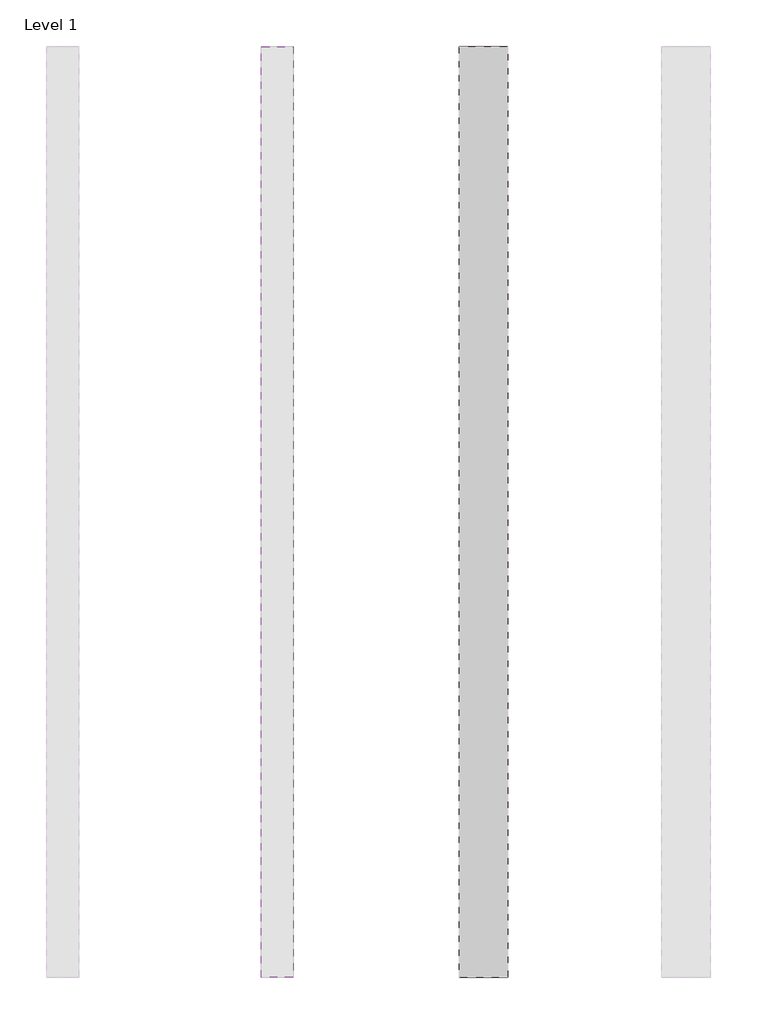
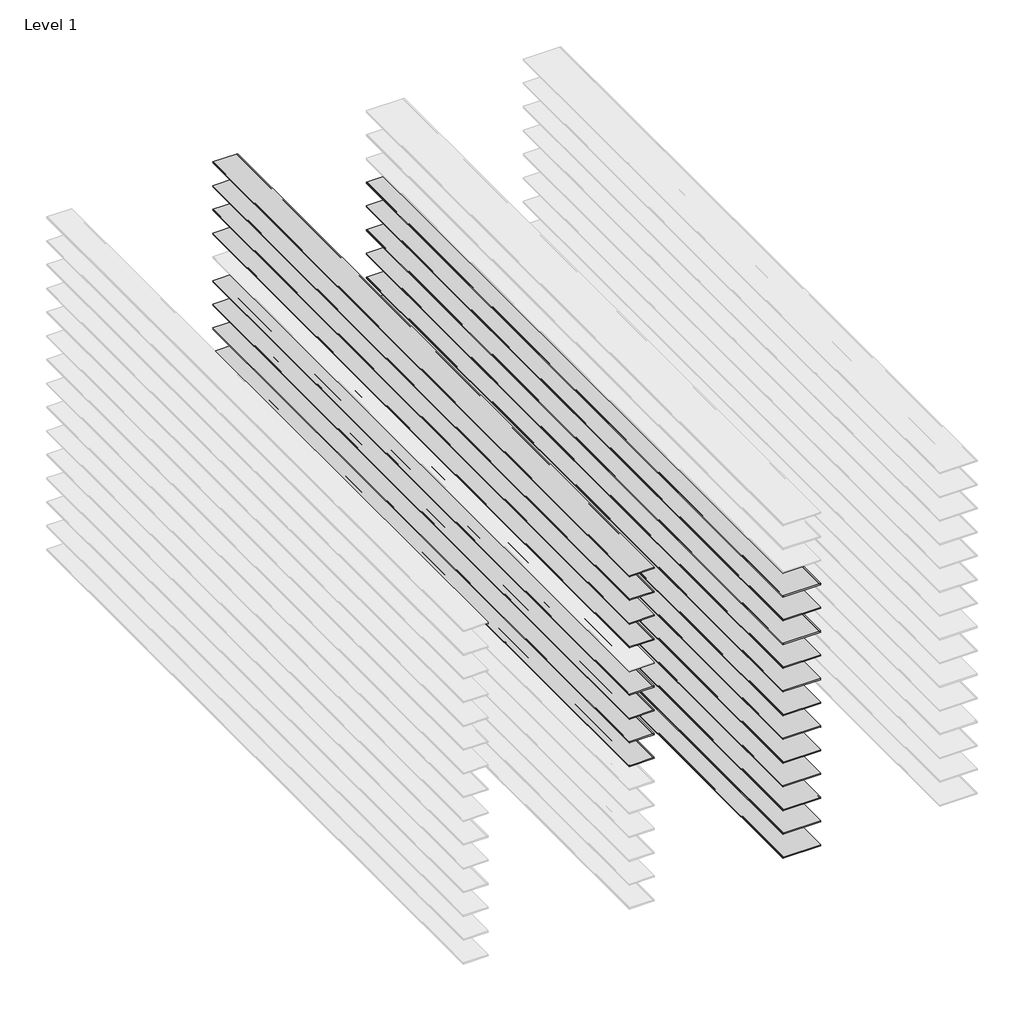
# One storey, part 2 of 3: 20 proxies.
"""IFC4 building model written with IfcOpenShell, lengths in millimetres."""

from ifc_helpers import new_model, si_unit, point, frame, frame_2d, origin, place, context, project, spatial, polyline, circle_curve, trimmed, segment, composite_curve, outline, extrude, element, save
from ifc_brep_helpers import plane_surface, revolved_surface, advanced_brep

model = new_model("IFC4")

# Units and contexts
model_context = context("Model", 3, world=origin())
ifc_project = project(units=[si_unit("LENGTHUNIT", "METRE", prefix="MILLI")], contexts=[model_context])

# Site, building, storey
site = spatial("IfcSite", under=ifc_project)
building = spatial("IfcBuilding", under=site)
storey = spatial("IfcBuildingStorey", under=building, Name="Level 1", Elevation=0.0)

# Proxies
placement = place(None, origin())
element("IfcBuildingElementProxy", 1, Name="Reveals", at=placement, inside=storey, context=model_context, shape_type="AdvancedBrep", body=[
    advanced_brep(
    [(-16224.8026773, 3227.6377356, 1209.675), (-16224.8026773, 3227.6377356, 1219.2), (-16529.6026773, 3227.6377356, 1219.2), (-16529.6026773, 3227.6377356, 1209.675), (-16224.8026773, 9069.6377356, 1209.675), (-16529.6026773, 9069.6377356, 1209.675), (-16529.6026773, 9069.6377356, 1219.2), (-16224.8026773, 9069.6377356, 1219.2)],
    [
        (0, 1, circle_curve(frame((-16224.8026773, 3227.6377356, 1214.4375), z_axis=(0.0, 1.0, 0.0), x_axis=(1.0, 0.0, 0.0)), 4.7625)),
        (1, 2),
        (2, 3, circle_curve(frame((-16529.6026773, 3227.6377356, 1214.4375), z_axis=(0.0, 1.0, 0.0), x_axis=(1.0, 0.0, 0.0)), 4.7625)),
        (3, 0),
        (4, 5),
        (5, 6, circle_curve(frame((-16529.6026773, 9069.6377356, 1214.4375), z_axis=(0.0, -1.0, 0.0), x_axis=(1.0, 0.0, 0.0)), 4.7625)),
        (6, 7),
        (7, 4, circle_curve(frame((-16224.8026773, 9069.6377356, 1214.4375), z_axis=(0.0, -1.0, 0.0), x_axis=(1.0, 0.0, 0.0)), 4.7625)),
        (0, 4),
        (7, 1),
        (6, 2),
        (5, 3),
    ],
    [
        plane_surface(frame((-16834.5514691, 3227.6377356, 1219.2), z_axis=(0.0, -1.0, 0.0), x_axis=(0.0, 0.0, 1.0))),
        plane_surface(frame((-16834.5514691, 9069.6377356, 1219.2), z_axis=(0.0, 1.0, 0.0), x_axis=(0.0, 0.0, 1.0))),
        revolved_surface(polyline([(-16220.0401773, 9069.6377356, 1214.4375), (-16220.0401773, 3227.6377356, 1214.4375)]), (-16224.8026773, 3227.6377356, 1214.4375), (0.0, 1.0, 0.0)),
        plane_surface(frame((-16224.8026773, 3227.6377356, 1219.2), z_axis=(0.0, 0.0, 1.0), x_axis=(0.0, 1.0, 0.0))),
        revolved_surface(polyline([(-16524.8401773, 9069.6377356, 1214.4375), (-16524.8401773, 3227.6377356, 1214.4375)]), (-16529.6026773, 3227.6377356, 1214.4375), (0.0, 1.0, 0.0)),
        plane_surface(frame((-16529.6026773, 3227.6377356, 1209.675), z_axis=(0.0, 0.0, -1.0), x_axis=(0.0, 1.0, 0.0))),
    ],
    [
        (0, [[1, 2, 3, 4]]),
        (1, [[5, 6, 7, 8]]),
        (2, [[-1, 9, -8, 10]]),
        (3, [[-2, -10, -7, 11]]),
        (4, [[-3, -11, -6, 12]]),
        (5, [[-4, -12, -5, -9]]),
    ],
),
])
element("IfcBuildingElementProxy", 2, Name="Reveals", at=placement, inside=storey, context=model_context, shape_type="AdvancedBrep", body=[
    advanced_brep(
    [(-16224.8026773, 3227.6377356, 1006.475), (-16224.8026773, 3227.6377356, 1016.0), (-16529.6026773, 3227.6377356, 1016.0), (-16529.6026773, 3227.6377356, 1006.475), (-16224.8026773, 9069.6377356, 1006.475), (-16529.6026773, 9069.6377356, 1006.475), (-16529.6026773, 9069.6377356, 1016.0), (-16224.8026773, 9069.6377356, 1016.0)],
    [
        (0, 1, circle_curve(frame((-16224.8026773, 3227.6377356, 1011.2375), z_axis=(0.0, 1.0, 0.0), x_axis=(1.0, 0.0, 0.0)), 4.7625)),
        (1, 2),
        (2, 3, circle_curve(frame((-16529.6026773, 3227.6377356, 1011.2375), z_axis=(0.0, 1.0, 0.0), x_axis=(1.0, 0.0, 0.0)), 4.7625)),
        (3, 0),
        (4, 5),
        (5, 6, circle_curve(frame((-16529.6026773, 9069.6377356, 1011.2375), z_axis=(0.0, -1.0, 0.0), x_axis=(1.0, 0.0, 0.0)), 4.7625)),
        (6, 7),
        (7, 4, circle_curve(frame((-16224.8026773, 9069.6377356, 1011.2375), z_axis=(0.0, -1.0, 0.0), x_axis=(1.0, 0.0, 0.0)), 4.7625)),
        (0, 4),
        (7, 1),
        (6, 2),
        (5, 3),
    ],
    [
        plane_surface(frame((-16834.5514691, 3227.6377356, 1016.0), z_axis=(0.0, -1.0, 0.0), x_axis=(0.0, 0.0, 1.0))),
        plane_surface(frame((-16834.5514691, 9069.6377356, 1016.0), z_axis=(0.0, 1.0, 0.0), x_axis=(0.0, 0.0, 1.0))),
        revolved_surface(polyline([(-16220.0401773, 9069.6377356, 1011.2375), (-16220.0401773, 3227.6377356, 1011.2375)]), (-16224.8026773, 3227.6377356, 1011.2375), (0.0, 1.0, 0.0)),
        plane_surface(frame((-16224.8026773, 3227.6377356, 1016.0), z_axis=(0.0, 0.0, 1.0), x_axis=(0.0, 1.0, 0.0))),
        revolved_surface(polyline([(-16524.8401773, 9069.6377356, 1011.2375), (-16524.8401773, 3227.6377356, 1011.2375)]), (-16529.6026773, 3227.6377356, 1011.2375), (0.0, 1.0, 0.0)),
        plane_surface(frame((-16529.6026773, 3227.6377356, 1006.475), z_axis=(0.0, 0.0, -1.0), x_axis=(0.0, 1.0, 0.0))),
    ],
    [
        (0, [[1, 2, 3, 4]]),
        (1, [[5, 6, 7, 8]]),
        (2, [[-1, 9, -8, 10]]),
        (3, [[-2, -10, -7, 11]]),
        (4, [[-3, -11, -6, 12]]),
        (5, [[-4, -12, -5, -9]]),
    ],
),
])
element("IfcBuildingElementProxy", 3, Name="Reveals", at=placement, inside=storey, context=model_context, shape_type="AdvancedBrep", body=[
    advanced_brep(
    [(-16224.8026773, 3227.6377356, 803.275), (-16224.8026773, 3227.6377356, 812.8), (-16529.6026773, 3227.6377356, 812.8), (-16529.6026773, 3227.6377356, 803.275), (-16224.8026773, 9069.6377356, 803.275), (-16529.6026773, 9069.6377356, 803.275), (-16529.6026773, 9069.6377356, 812.8), (-16224.8026773, 9069.6377356, 812.8)],
    [
        (0, 1, circle_curve(frame((-16224.8026773, 3227.6377356, 808.0375), z_axis=(0.0, 1.0, 0.0), x_axis=(1.0, 0.0, 0.0)), 4.7625)),
        (1, 2),
        (2, 3, circle_curve(frame((-16529.6026773, 3227.6377356, 808.0375), z_axis=(0.0, 1.0, 0.0), x_axis=(1.0, 0.0, 0.0)), 4.7625)),
        (3, 0),
        (4, 5),
        (5, 6, circle_curve(frame((-16529.6026773, 9069.6377356, 808.0375), z_axis=(0.0, -1.0, 0.0), x_axis=(1.0, 0.0, 0.0)), 4.7625)),
        (6, 7),
        (7, 4, circle_curve(frame((-16224.8026773, 9069.6377356, 808.0375), z_axis=(0.0, -1.0, 0.0), x_axis=(1.0, 0.0, 0.0)), 4.7625)),
        (0, 4),
        (7, 1),
        (6, 2),
        (5, 3),
    ],
    [
        plane_surface(frame((-16834.5514691, 3227.6377356, 812.8), z_axis=(0.0, -1.0, 0.0), x_axis=(0.0, 0.0, 1.0))),
        plane_surface(frame((-16834.5514691, 9069.6377356, 812.8), z_axis=(0.0, 1.0, 0.0), x_axis=(0.0, 0.0, 1.0))),
        revolved_surface(polyline([(-16220.0401773, 9069.6377356, 808.0375), (-16220.0401773, 3227.6377356, 808.0375)]), (-16224.8026773, 3227.6377356, 808.0375), (0.0, 1.0, 0.0)),
        plane_surface(frame((-16224.8026773, 3227.6377356, 812.8), z_axis=(0.0, 0.0, 1.0), x_axis=(0.0, 1.0, 0.0))),
        revolved_surface(polyline([(-16524.8401773, 9069.6377356, 808.0375), (-16524.8401773, 3227.6377356, 808.0375)]), (-16529.6026773, 3227.6377356, 808.0375), (0.0, 1.0, 0.0)),
        plane_surface(frame((-16529.6026773, 3227.6377356, 803.275), z_axis=(0.0, 0.0, -1.0), x_axis=(0.0, 1.0, 0.0))),
    ],
    [
        (0, [[1, 2, 3, 4]]),
        (1, [[5, 6, 7, 8]]),
        (2, [[-1, 9, -8, 10]]),
        (3, [[-2, -10, -7, 11]]),
        (4, [[-3, -11, -6, 12]]),
        (5, [[-4, -12, -5, -9]]),
    ],
),
])
element("IfcBuildingElementProxy", 4, Name="Reveals", at=placement, inside=storey, context=model_context, shape_type="AdvancedBrep", body=[
    advanced_brep(
    [(-16224.8026773, 3227.6377356, 600.075), (-16224.8026773, 3227.6377356, 609.6), (-16529.6026773, 3227.6377356, 609.6), (-16529.6026773, 3227.6377356, 600.075), (-16224.8026773, 9069.6377356, 600.075), (-16529.6026773, 9069.6377356, 600.075), (-16529.6026773, 9069.6377356, 609.6), (-16224.8026773, 9069.6377356, 609.6)],
    [
        (0, 1, circle_curve(frame((-16224.8026773, 3227.6377356, 604.8375), z_axis=(0.0, 1.0, 0.0), x_axis=(1.0, 0.0, 0.0)), 4.7625)),
        (1, 2),
        (2, 3, circle_curve(frame((-16529.6026773, 3227.6377356, 604.8375), z_axis=(0.0, 1.0, 0.0), x_axis=(1.0, 0.0, 0.0)), 4.7625)),
        (3, 0),
        (4, 5),
        (5, 6, circle_curve(frame((-16529.6026773, 9069.6377356, 604.8375), z_axis=(0.0, -1.0, 0.0), x_axis=(1.0, 0.0, 0.0)), 4.7625)),
        (6, 7),
        (7, 4, circle_curve(frame((-16224.8026773, 9069.6377356, 604.8375), z_axis=(0.0, -1.0, 0.0), x_axis=(1.0, 0.0, 0.0)), 4.7625)),
        (0, 4),
        (7, 1),
        (6, 2),
        (5, 3),
    ],
    [
        plane_surface(frame((-16834.5514691, 3227.6377356, 609.6), z_axis=(0.0, -1.0, 0.0), x_axis=(0.0, 0.0, 1.0))),
        plane_surface(frame((-16834.5514691, 9069.6377356, 609.6), z_axis=(0.0, 1.0, 0.0), x_axis=(0.0, 0.0, 1.0))),
        revolved_surface(polyline([(-16220.0401773, 9069.6377356, 604.8375), (-16220.0401773, 3227.6377356, 604.8375)]), (-16224.8026773, 3227.6377356, 604.8375), (0.0, 1.0, 0.0)),
        plane_surface(frame((-16224.8026773, 3227.6377356, 609.6), z_axis=(0.0, 0.0, 1.0), x_axis=(0.0, 1.0, 0.0))),
        revolved_surface(polyline([(-16524.8401773, 9069.6377356, 604.8375), (-16524.8401773, 3227.6377356, 604.8375)]), (-16529.6026773, 3227.6377356, 604.8375), (0.0, 1.0, 0.0)),
        plane_surface(frame((-16529.6026773, 3227.6377356, 600.075), z_axis=(0.0, 0.0, -1.0), x_axis=(0.0, 1.0, 0.0))),
    ],
    [
        (0, [[1, 2, 3, 4]]),
        (1, [[5, 6, 7, 8]]),
        (2, [[-1, 9, -8, 10]]),
        (3, [[-2, -10, -7, 11]]),
        (4, [[-3, -11, -6, 12]]),
        (5, [[-4, -12, -5, -9]]),
    ],
),
])
element("IfcBuildingElementProxy", 5, Name="Reveals", at=placement, inside=storey, context=model_context, shape_type="SweptSolid", body=[
    extrude(outline(composite_curve([segment(trimmed(circle_curve(frame_2d((401.6375, -16224.8026773)), 4.7625), [point((396.875, -16224.8026773))], [point((406.4, -16224.8026773))], True, "CARTESIAN"), True, "CONTINUOUS"), segment(polyline([(406.4, -16224.8026773), (406.4, -16529.6026773)]), True, "CONTINUOUS"), segment(trimmed(circle_curve(frame_2d((401.6375, -16529.6026773)), 4.7625), [point((406.4, -16529.6026773))], [point((396.875, -16529.6026773))], True, "CARTESIAN"), True, "CONTINUOUS"), segment(polyline([(396.875, -16529.6026773), (396.875, -16224.8026773)]), True, "CONTINUOUS")], self_intersect=False)), frame((0.0, 3227.6377356, 0.0), z_axis=(0.0, 1.0, 0.0), x_axis=(0.0, 0.0, 1.0)), (0.0, 0.0, 1.0), 5842.0),
])
element("IfcBuildingElementProxy", 6, Name="Reveals", at=placement, inside=storey, context=model_context, shape_type="SweptSolid", body=[
    extrude(outline(composite_curve([segment(trimmed(circle_curve(frame_2d((198.4375, -16224.8026773)), 4.7625), [point((193.675, -16224.8026773))], [point((203.2, -16224.8026773))], True, "CARTESIAN"), True, "CONTINUOUS"), segment(polyline([(203.2, -16224.8026773), (203.2, -16529.6026773)]), True, "CONTINUOUS"), segment(trimmed(circle_curve(frame_2d((198.4375, -16529.6026773)), 4.7625), [point((203.2, -16529.6026773))], [point((193.675, -16529.6026773))], True, "CARTESIAN"), True, "CONTINUOUS"), segment(polyline([(193.675, -16529.6026773), (193.675, -16224.8026773)]), True, "CONTINUOUS")], self_intersect=False)), frame((0.0, 3227.6377356, 0.0), z_axis=(0.0, 1.0, 0.0), x_axis=(0.0, 0.0, 1.0)), (0.0, 0.0, 1.0), 5842.0),
])
element("IfcBuildingElementProxy", 7, Name="Reveals", at=placement, inside=storey, context=model_context, shape_type="AdvancedBrep", body=[
    advanced_brep(
    [(-16224.8026773, 3227.6377356, 2225.675), (-16224.8026773, 3227.6377356, 2235.2), (-16529.6026773, 3227.6377356, 2235.2), (-16529.6026773, 3227.6377356, 2225.675), (-16224.8026773, 9069.6377356, 2225.675), (-16529.6026773, 9069.6377356, 2225.675), (-16529.6026773, 9069.6377356, 2235.2), (-16224.8026773, 9069.6377356, 2235.2)],
    [
        (0, 1, circle_curve(frame((-16224.8026773, 3227.6377356, 2230.4375), z_axis=(0.0, 1.0, 0.0), x_axis=(1.0, 0.0, 0.0)), 4.7625)),
        (1, 2),
        (2, 3, circle_curve(frame((-16529.6026773, 3227.6377356, 2230.4375), z_axis=(0.0, 1.0, 0.0), x_axis=(1.0, 0.0, 0.0)), 4.7625)),
        (3, 0),
        (4, 5),
        (5, 6, circle_curve(frame((-16529.6026773, 9069.6377356, 2230.4375), z_axis=(0.0, -1.0, 0.0), x_axis=(1.0, 0.0, 0.0)), 4.7625)),
        (6, 7),
        (7, 4, circle_curve(frame((-16224.8026773, 9069.6377356, 2230.4375), z_axis=(0.0, -1.0, 0.0), x_axis=(1.0, 0.0, 0.0)), 4.7625)),
        (0, 4),
        (7, 1),
        (6, 2),
        (5, 3),
    ],
    [
        plane_surface(frame((-16834.5514691, 3227.6377356, 2235.2), z_axis=(0.0, -1.0, 0.0), x_axis=(0.0, 0.0, 1.0))),
        plane_surface(frame((-16834.5514691, 9069.6377356, 2235.2), z_axis=(0.0, 1.0, 0.0), x_axis=(0.0, 0.0, 1.0))),
        revolved_surface(polyline([(-16220.0401773, 9069.6377356, 2230.4375), (-16220.0401773, 3227.6377356, 2230.4375)]), (-16224.8026773, 3227.6377356, 2230.4375), (0.0, 1.0, 0.0)),
        plane_surface(frame((-16224.8026773, 3227.6377356, 2235.2), z_axis=(0.0, 0.0, 1.0), x_axis=(0.0, 1.0, 0.0))),
        revolved_surface(polyline([(-16524.8401773, 9069.6377356, 2230.4375), (-16524.8401773, 3227.6377356, 2230.4375)]), (-16529.6026773, 3227.6377356, 2230.4375), (0.0, 1.0, 0.0)),
        plane_surface(frame((-16529.6026773, 3227.6377356, 2225.675), z_axis=(0.0, 0.0, -1.0), x_axis=(0.0, 1.0, 0.0))),
    ],
    [
        (0, [[1, 2, 3, 4]]),
        (1, [[5, 6, 7, 8]]),
        (2, [[-1, 9, -8, 10]]),
        (3, [[-2, -10, -7, 11]]),
        (4, [[-3, -11, -6, 12]]),
        (5, [[-4, -12, -5, -9]]),
    ],
),
])
element("IfcBuildingElementProxy", 8, Name="Reveals", at=placement, inside=storey, context=model_context, shape_type="AdvancedBrep", body=[
    advanced_brep(
    [(-16224.8026773, 3227.6377356, 2022.475), (-16224.8026773, 3227.6377356, 2032.0), (-16529.6026773, 3227.6377356, 2032.0), (-16529.6026773, 3227.6377356, 2022.475), (-16224.8026773, 9069.6377356, 2022.475), (-16529.6026773, 9069.6377356, 2022.475), (-16529.6026773, 9069.6377356, 2032.0), (-16224.8026773, 9069.6377356, 2032.0)],
    [
        (0, 1, circle_curve(frame((-16224.8026773, 3227.6377356, 2027.2375), z_axis=(0.0, 1.0, 0.0), x_axis=(1.0, 0.0, 0.0)), 4.7625)),
        (1, 2),
        (2, 3, circle_curve(frame((-16529.6026773, 3227.6377356, 2027.2375), z_axis=(0.0, 1.0, 0.0), x_axis=(1.0, 0.0, 0.0)), 4.7625)),
        (3, 0),
        (4, 5),
        (5, 6, circle_curve(frame((-16529.6026773, 9069.6377356, 2027.2375), z_axis=(0.0, -1.0, 0.0), x_axis=(1.0, 0.0, 0.0)), 4.7625)),
        (6, 7),
        (7, 4, circle_curve(frame((-16224.8026773, 9069.6377356, 2027.2375), z_axis=(0.0, -1.0, 0.0), x_axis=(1.0, 0.0, 0.0)), 4.7625)),
        (0, 4),
        (7, 1),
        (6, 2),
        (5, 3),
    ],
    [
        plane_surface(frame((-16834.5514691, 3227.6377356, 2032.0), z_axis=(0.0, -1.0, 0.0), x_axis=(0.0, 0.0, 1.0))),
        plane_surface(frame((-16834.5514691, 9069.6377356, 2032.0), z_axis=(0.0, 1.0, 0.0), x_axis=(0.0, 0.0, 1.0))),
        revolved_surface(polyline([(-16220.0401773, 9069.6377356, 2027.2375), (-16220.0401773, 3227.6377356, 2027.2375)]), (-16224.8026773, 3227.6377356, 2027.2375), (0.0, 1.0, 0.0)),
        plane_surface(frame((-16224.8026773, 3227.6377356, 2032.0), z_axis=(0.0, 0.0, 1.0), x_axis=(0.0, 1.0, 0.0))),
        revolved_surface(polyline([(-16524.8401773, 9069.6377356, 2027.2375), (-16524.8401773, 3227.6377356, 2027.2375)]), (-16529.6026773, 3227.6377356, 2027.2375), (0.0, 1.0, 0.0)),
        plane_surface(frame((-16529.6026773, 3227.6377356, 2022.475), z_axis=(0.0, 0.0, -1.0), x_axis=(0.0, 1.0, 0.0))),
    ],
    [
        (0, [[1, 2, 3, 4]]),
        (1, [[5, 6, 7, 8]]),
        (2, [[-1, 9, -8, 10]]),
        (3, [[-2, -10, -7, 11]]),
        (4, [[-3, -11, -6, 12]]),
        (5, [[-4, -12, -5, -9]]),
    ],
),
])
element("IfcBuildingElementProxy", 9, Name="Reveals", at=placement, inside=storey, context=model_context, shape_type="AdvancedBrep", body=[
    advanced_brep(
    [(-16224.8026773, 3227.6377356, 1819.275), (-16224.8026773, 3227.6377356, 1828.8), (-16529.6026773, 3227.6377356, 1828.8), (-16529.6026773, 3227.6377356, 1819.275), (-16224.8026773, 9069.6377356, 1819.275), (-16529.6026773, 9069.6377356, 1819.275), (-16529.6026773, 9069.6377356, 1828.8), (-16224.8026773, 9069.6377356, 1828.8)],
    [
        (0, 1, circle_curve(frame((-16224.8026773, 3227.6377356, 1824.0375), z_axis=(0.0, 1.0, 0.0), x_axis=(1.0, 0.0, 0.0)), 4.7625)),
        (1, 2),
        (2, 3, circle_curve(frame((-16529.6026773, 3227.6377356, 1824.0375), z_axis=(0.0, 1.0, 0.0), x_axis=(1.0, 0.0, 0.0)), 4.7625)),
        (3, 0),
        (4, 5),
        (5, 6, circle_curve(frame((-16529.6026773, 9069.6377356, 1824.0375), z_axis=(0.0, -1.0, 0.0), x_axis=(1.0, 0.0, 0.0)), 4.7625)),
        (6, 7),
        (7, 4, circle_curve(frame((-16224.8026773, 9069.6377356, 1824.0375), z_axis=(0.0, -1.0, 0.0), x_axis=(1.0, 0.0, 0.0)), 4.7625)),
        (0, 4),
        (7, 1),
        (6, 2),
        (5, 3),
    ],
    [
        plane_surface(frame((-16834.5514691, 3227.6377356, 1828.8), z_axis=(0.0, -1.0, 0.0), x_axis=(0.0, 0.0, 1.0))),
        plane_surface(frame((-16834.5514691, 9069.6377356, 1828.8), z_axis=(0.0, 1.0, 0.0), x_axis=(0.0, 0.0, 1.0))),
        revolved_surface(polyline([(-16220.0401773, 9069.6377356, 1824.0375), (-16220.0401773, 3227.6377356, 1824.0375)]), (-16224.8026773, 3227.6377356, 1824.0375), (0.0, 1.0, 0.0)),
        plane_surface(frame((-16224.8026773, 3227.6377356, 1828.8), z_axis=(0.0, 0.0, 1.0), x_axis=(0.0, 1.0, 0.0))),
        revolved_surface(polyline([(-16524.8401773, 9069.6377356, 1824.0375), (-16524.8401773, 3227.6377356, 1824.0375)]), (-16529.6026773, 3227.6377356, 1824.0375), (0.0, 1.0, 0.0)),
        plane_surface(frame((-16529.6026773, 3227.6377356, 1819.275), z_axis=(0.0, 0.0, -1.0), x_axis=(0.0, 1.0, 0.0))),
    ],
    [
        (0, [[1, 2, 3, 4]]),
        (1, [[5, 6, 7, 8]]),
        (2, [[-1, 9, -8, 10]]),
        (3, [[-2, -10, -7, 11]]),
        (4, [[-3, -11, -6, 12]]),
        (5, [[-4, -12, -5, -9]]),
    ],
),
])
element("IfcBuildingElementProxy", 10, Name="Reveals", at=placement, inside=storey, context=model_context, shape_type="AdvancedBrep", body=[
    advanced_brep(
    [(-16224.8026773, 3227.6377356, 1616.075), (-16224.8026773, 3227.6377356, 1625.6), (-16529.6026773, 3227.6377356, 1625.6), (-16529.6026773, 3227.6377356, 1616.075), (-16224.8026773, 9069.6377356, 1616.075), (-16529.6026773, 9069.6377356, 1616.075), (-16529.6026773, 9069.6377356, 1625.6), (-16224.8026773, 9069.6377356, 1625.6)],
    [
        (0, 1, circle_curve(frame((-16224.8026773, 3227.6377356, 1620.8375), z_axis=(0.0, 1.0, 0.0), x_axis=(1.0, 0.0, 0.0)), 4.7625)),
        (1, 2),
        (2, 3, circle_curve(frame((-16529.6026773, 3227.6377356, 1620.8375), z_axis=(0.0, 1.0, 0.0), x_axis=(1.0, 0.0, 0.0)), 4.7625)),
        (3, 0),
        (4, 5),
        (5, 6, circle_curve(frame((-16529.6026773, 9069.6377356, 1620.8375), z_axis=(0.0, -1.0, 0.0), x_axis=(1.0, 0.0, 0.0)), 4.7625)),
        (6, 7),
        (7, 4, circle_curve(frame((-16224.8026773, 9069.6377356, 1620.8375), z_axis=(0.0, -1.0, 0.0), x_axis=(1.0, 0.0, 0.0)), 4.7625)),
        (0, 4),
        (7, 1),
        (6, 2),
        (5, 3),
    ],
    [
        plane_surface(frame((-16834.5514691, 3227.6377356, 1625.6), z_axis=(0.0, -1.0, 0.0), x_axis=(0.0, 0.0, 1.0))),
        plane_surface(frame((-16834.5514691, 9069.6377356, 1625.6), z_axis=(0.0, 1.0, 0.0), x_axis=(0.0, 0.0, 1.0))),
        revolved_surface(polyline([(-16220.0401773, 9069.6377356, 1620.8375), (-16220.0401773, 3227.6377356, 1620.8375)]), (-16224.8026773, 3227.6377356, 1620.8375), (0.0, 1.0, 0.0)),
        plane_surface(frame((-16224.8026773, 3227.6377356, 1625.6), z_axis=(0.0, 0.0, 1.0), x_axis=(0.0, 1.0, 0.0))),
        revolved_surface(polyline([(-16524.8401773, 9069.6377356, 1620.8375), (-16524.8401773, 3227.6377356, 1620.8375)]), (-16529.6026773, 3227.6377356, 1620.8375), (0.0, 1.0, 0.0)),
        plane_surface(frame((-16529.6026773, 3227.6377356, 1616.075), z_axis=(0.0, 0.0, -1.0), x_axis=(0.0, 1.0, 0.0))),
    ],
    [
        (0, [[1, 2, 3, 4]]),
        (1, [[5, 6, 7, 8]]),
        (2, [[-1, 9, -8, 10]]),
        (3, [[-2, -10, -7, 11]]),
        (4, [[-3, -11, -6, 12]]),
        (5, [[-4, -12, -5, -9]]),
    ],
),
])
element("IfcBuildingElementProxy", 11, Name="Reveals", at=placement, inside=storey, context=model_context, shape_type="AdvancedBrep", body=[
    advanced_brep(
    [(-16224.8026773, 3227.6377356, 1412.875), (-16224.8026773, 3227.6377356, 1422.4), (-16529.6026773, 3227.6377356, 1422.4), (-16529.6026773, 3227.6377356, 1412.875), (-16224.8026773, 9069.6377356, 1412.875), (-16529.6026773, 9069.6377356, 1412.875), (-16529.6026773, 9069.6377356, 1422.4), (-16224.8026773, 9069.6377356, 1422.4)],
    [
        (0, 1, circle_curve(frame((-16224.8026773, 3227.6377356, 1417.6375), z_axis=(0.0, 1.0, 0.0), x_axis=(1.0, 0.0, 0.0)), 4.7625)),
        (1, 2),
        (2, 3, circle_curve(frame((-16529.6026773, 3227.6377356, 1417.6375), z_axis=(0.0, 1.0, 0.0), x_axis=(1.0, 0.0, 0.0)), 4.7625)),
        (3, 0),
        (4, 5),
        (5, 6, circle_curve(frame((-16529.6026773, 9069.6377356, 1417.6375), z_axis=(0.0, -1.0, 0.0), x_axis=(1.0, 0.0, 0.0)), 4.7625)),
        (6, 7),
        (7, 4, circle_curve(frame((-16224.8026773, 9069.6377356, 1417.6375), z_axis=(0.0, -1.0, 0.0), x_axis=(1.0, 0.0, 0.0)), 4.7625)),
        (0, 4),
        (7, 1),
        (6, 2),
        (5, 3),
    ],
    [
        plane_surface(frame((-16834.5514691, 3227.6377356, 1422.4), z_axis=(0.0, -1.0, 0.0), x_axis=(0.0, 0.0, 1.0))),
        plane_surface(frame((-16834.5514691, 9069.6377356, 1422.4), z_axis=(0.0, 1.0, 0.0), x_axis=(0.0, 0.0, 1.0))),
        revolved_surface(polyline([(-16220.0401773, 9069.6377356, 1417.6375), (-16220.0401773, 3227.6377356, 1417.6375)]), (-16224.8026773, 3227.6377356, 1417.6375), (0.0, 1.0, 0.0)),
        plane_surface(frame((-16224.8026773, 3227.6377356, 1422.4), z_axis=(0.0, 0.0, 1.0), x_axis=(0.0, 1.0, 0.0))),
        revolved_surface(polyline([(-16524.8401773, 9069.6377356, 1417.6375), (-16524.8401773, 3227.6377356, 1417.6375)]), (-16529.6026773, 3227.6377356, 1417.6375), (0.0, 1.0, 0.0)),
        plane_surface(frame((-16529.6026773, 3227.6377356, 1412.875), z_axis=(0.0, 0.0, -1.0), x_axis=(0.0, 1.0, 0.0))),
    ],
    [
        (0, [[1, 2, 3, 4]]),
        (1, [[5, 6, 7, 8]]),
        (2, [[-1, 9, -8, 10]]),
        (3, [[-2, -10, -7, 11]]),
        (4, [[-3, -11, -6, 12]]),
        (5, [[-4, -12, -5, -9]]),
    ],
),
])
element("IfcBuildingElementProxy", 12, Name="Reveals", at=placement, inside=storey, context=model_context, shape_type="AdvancedBrep", body=[
    advanced_brep(
    [(-16224.8026773, 3227.6377356, 2428.875), (-16224.8026773, 3227.6377356, 2438.4), (-16529.6026773, 3227.6377356, 2438.4), (-16529.6026773, 3227.6377356, 2428.875), (-16224.8026773, 9069.6377356, 2428.875), (-16529.6026773, 9069.6377356, 2428.875), (-16529.6026773, 9069.6377356, 2438.4), (-16224.8026773, 9069.6377356, 2438.4)],
    [
        (0, 1, circle_curve(frame((-16224.8026773, 3227.6377356, 2433.6375), z_axis=(0.0, 1.0, 0.0), x_axis=(1.0, 0.0, 0.0)), 4.7625)),
        (1, 2),
        (2, 3, circle_curve(frame((-16529.6026773, 3227.6377356, 2433.6375), z_axis=(0.0, 1.0, 0.0), x_axis=(1.0, 0.0, 0.0)), 4.7625)),
        (3, 0),
        (4, 5),
        (5, 6, circle_curve(frame((-16529.6026773, 9069.6377356, 2433.6375), z_axis=(0.0, -1.0, 0.0), x_axis=(1.0, 0.0, 0.0)), 4.7625)),
        (6, 7),
        (7, 4, circle_curve(frame((-16224.8026773, 9069.6377356, 2433.6375), z_axis=(0.0, -1.0, 0.0), x_axis=(1.0, 0.0, 0.0)), 4.7625)),
        (0, 4),
        (7, 1),
        (6, 2),
        (5, 3),
    ],
    [
        plane_surface(frame((-16834.5514691, 3227.6377356, 2438.4), z_axis=(0.0, -1.0, 0.0), x_axis=(0.0, 0.0, 1.0))),
        plane_surface(frame((-16834.5514691, 9069.6377356, 2438.4), z_axis=(0.0, 1.0, 0.0), x_axis=(0.0, 0.0, 1.0))),
        revolved_surface(polyline([(-16220.0401773, 9069.6377356, 2433.6375), (-16220.0401773, 3227.6377356, 2433.6375)]), (-16224.8026773, 3227.6377356, 2433.6375), (0.0, 1.0, 0.0)),
        plane_surface(frame((-16224.8026773, 3227.6377356, 2438.4), z_axis=(0.0, 0.0, 1.0), x_axis=(0.0, 1.0, 0.0))),
        revolved_surface(polyline([(-16524.8401773, 9069.6377356, 2433.6375), (-16524.8401773, 3227.6377356, 2433.6375)]), (-16529.6026773, 3227.6377356, 2433.6375), (0.0, 1.0, 0.0)),
        plane_surface(frame((-16529.6026773, 3227.6377356, 2428.875), z_axis=(0.0, 0.0, -1.0), x_axis=(0.0, 1.0, 0.0))),
    ],
    [
        (0, [[1, 2, 3, 4]]),
        (1, [[5, 6, 7, 8]]),
        (2, [[-1, 9, -8, 10]]),
        (3, [[-2, -10, -7, 11]]),
        (4, [[-3, -11, -6, 12]]),
        (5, [[-4, -12, -5, -9]]),
    ],
),
])
element("IfcBuildingElementProxy", 13, Name="Reveals", at=placement, inside=storey, context=model_context, shape_type="AdvancedBrep", body=[
    advanced_brep(
    [(-17571.0026773, 3227.6377356, 2022.475), (-17571.0026773, 3227.6377356, 2032.0), (-17774.2026773, 3227.6377356, 2032.0), (-17774.2026773, 3227.6377356, 2022.475), (-17571.0026773, 9069.6377356, 2022.475), (-17774.2026773, 9069.6377356, 2022.475), (-17774.2026773, 9069.6377356, 2032.0), (-17571.0026773, 9069.6377356, 2032.0)],
    [
        (0, 1, circle_curve(frame((-17571.0026773, 3227.6377356, 2027.2375), z_axis=(0.0, 1.0, 0.0), x_axis=(1.0, 0.0, 0.0)), 4.7625)),
        (1, 2),
        (2, 3, circle_curve(frame((-17774.2026773, 3227.6377356, 2027.2375), z_axis=(0.0, 1.0, 0.0), x_axis=(1.0, 0.0, 0.0)), 4.7625)),
        (3, 0),
        (4, 5),
        (5, 6, circle_curve(frame((-17774.2026773, 9069.6377356, 2027.2375), z_axis=(0.0, -1.0, 0.0), x_axis=(1.0, 0.0, 0.0)), 4.7625)),
        (6, 7),
        (7, 4, circle_curve(frame((-17571.0026773, 9069.6377356, 2027.2375), z_axis=(0.0, -1.0, 0.0), x_axis=(1.0, 0.0, 0.0)), 4.7625)),
        (0, 4),
        (7, 1),
        (6, 2),
        (5, 3),
    ],
    [
        plane_surface(frame((-17977.625797, 3227.6377356, 2032.0), z_axis=(0.0, -1.0, 0.0), x_axis=(0.0, 0.0, 1.0))),
        plane_surface(frame((-17977.625797, 9069.6377356, 2032.0), z_axis=(0.0, 1.0, 0.0), x_axis=(0.0, 0.0, 1.0))),
        revolved_surface(polyline([(-17566.2401773, 9069.6377356, 2027.2375), (-17566.2401773, 3227.6377356, 2027.2375)]), (-17571.0026773, 3227.6377356, 2027.2375), (0.0, 1.0, 0.0)),
        plane_surface(frame((-17571.0026773, 3227.6377356, 2032.0), z_axis=(0.0, 0.0, 1.0), x_axis=(0.0, 1.0, 0.0))),
        revolved_surface(polyline([(-17769.4401773, 9069.6377356, 2027.2375), (-17769.4401773, 3227.6377356, 2027.2375)]), (-17774.2026773, 3227.6377356, 2027.2375), (0.0, 1.0, 0.0)),
        plane_surface(frame((-17774.2026773, 3227.6377356, 2022.475), z_axis=(0.0, 0.0, -1.0), x_axis=(0.0, 1.0, 0.0))),
    ],
    [
        (0, [[1, 2, 3, 4]]),
        (1, [[5, 6, 7, 8]]),
        (2, [[-1, 9, -8, 10]]),
        (3, [[-2, -10, -7, 11]]),
        (4, [[-3, -11, -6, 12]]),
        (5, [[-4, -12, -5, -9]]),
    ],
),
])
element("IfcBuildingElementProxy", 14, Name="Reveals", at=placement, inside=storey, context=model_context, shape_type="AdvancedBrep", body=[
    advanced_brep(
    [(-17571.0026773, 3227.6377356, 1819.275), (-17571.0026773, 3227.6377356, 1828.8), (-17774.2026773, 3227.6377356, 1828.8), (-17774.2026773, 3227.6377356, 1819.275), (-17571.0026773, 9069.6377356, 1819.275), (-17774.2026773, 9069.6377356, 1819.275), (-17774.2026773, 9069.6377356, 1828.8), (-17571.0026773, 9069.6377356, 1828.8)],
    [
        (0, 1, circle_curve(frame((-17571.0026773, 3227.6377356, 1824.0375), z_axis=(0.0, 1.0, 0.0), x_axis=(1.0, 0.0, 0.0)), 4.7625)),
        (1, 2),
        (2, 3, circle_curve(frame((-17774.2026773, 3227.6377356, 1824.0375), z_axis=(0.0, 1.0, 0.0), x_axis=(1.0, 0.0, 0.0)), 4.7625)),
        (3, 0),
        (4, 5),
        (5, 6, circle_curve(frame((-17774.2026773, 9069.6377356, 1824.0375), z_axis=(0.0, -1.0, 0.0), x_axis=(1.0, 0.0, 0.0)), 4.7625)),
        (6, 7),
        (7, 4, circle_curve(frame((-17571.0026773, 9069.6377356, 1824.0375), z_axis=(0.0, -1.0, 0.0), x_axis=(1.0, 0.0, 0.0)), 4.7625)),
        (0, 4),
        (7, 1),
        (6, 2),
        (5, 3),
    ],
    [
        plane_surface(frame((-17977.625797, 3227.6377356, 1828.8), z_axis=(0.0, -1.0, 0.0), x_axis=(0.0, 0.0, 1.0))),
        plane_surface(frame((-17977.625797, 9069.6377356, 1828.8), z_axis=(0.0, 1.0, 0.0), x_axis=(0.0, 0.0, 1.0))),
        revolved_surface(polyline([(-17566.2401773, 9069.6377356, 1824.0375), (-17566.2401773, 3227.6377356, 1824.0375)]), (-17571.0026773, 3227.6377356, 1824.0375), (0.0, 1.0, 0.0)),
        plane_surface(frame((-17571.0026773, 3227.6377356, 1828.8), z_axis=(0.0, 0.0, 1.0), x_axis=(0.0, 1.0, 0.0))),
        revolved_surface(polyline([(-17769.4401773, 9069.6377356, 1824.0375), (-17769.4401773, 3227.6377356, 1824.0375)]), (-17774.2026773, 3227.6377356, 1824.0375), (0.0, 1.0, 0.0)),
        plane_surface(frame((-17774.2026773, 3227.6377356, 1819.275), z_axis=(0.0, 0.0, -1.0), x_axis=(0.0, 1.0, 0.0))),
    ],
    [
        (0, [[1, 2, 3, 4]]),
        (1, [[5, 6, 7, 8]]),
        (2, [[-1, 9, -8, 10]]),
        (3, [[-2, -10, -7, 11]]),
        (4, [[-3, -11, -6, 12]]),
        (5, [[-4, -12, -5, -9]]),
    ],
),
])
element("IfcBuildingElementProxy", 15, Name="Reveals", at=placement, inside=storey, context=model_context, shape_type="AdvancedBrep", body=[
    advanced_brep(
    [(-17571.0026773, 3227.6377356, 1616.075), (-17571.0026773, 3227.6377356, 1625.6), (-17774.2026773, 3227.6377356, 1625.6), (-17774.2026773, 3227.6377356, 1616.075), (-17571.0026773, 9069.6377356, 1616.075), (-17774.2026773, 9069.6377356, 1616.075), (-17774.2026773, 9069.6377356, 1625.6), (-17571.0026773, 9069.6377356, 1625.6)],
    [
        (0, 1, circle_curve(frame((-17571.0026773, 3227.6377356, 1620.8375), z_axis=(0.0, 1.0, 0.0), x_axis=(1.0, 0.0, 0.0)), 4.7625)),
        (1, 2),
        (2, 3, circle_curve(frame((-17774.2026773, 3227.6377356, 1620.8375), z_axis=(0.0, 1.0, 0.0), x_axis=(1.0, 0.0, 0.0)), 4.7625)),
        (3, 0),
        (4, 5),
        (5, 6, circle_curve(frame((-17774.2026773, 9069.6377356, 1620.8375), z_axis=(0.0, -1.0, 0.0), x_axis=(1.0, 0.0, 0.0)), 4.7625)),
        (6, 7),
        (7, 4, circle_curve(frame((-17571.0026773, 9069.6377356, 1620.8375), z_axis=(0.0, -1.0, 0.0), x_axis=(1.0, 0.0, 0.0)), 4.7625)),
        (0, 4),
        (7, 1),
        (6, 2),
        (5, 3),
    ],
    [
        plane_surface(frame((-17977.625797, 3227.6377356, 1625.6), z_axis=(0.0, -1.0, 0.0), x_axis=(0.0, 0.0, 1.0))),
        plane_surface(frame((-17977.625797, 9069.6377356, 1625.6), z_axis=(0.0, 1.0, 0.0), x_axis=(0.0, 0.0, 1.0))),
        revolved_surface(polyline([(-17566.2401773, 9069.6377356, 1620.8375), (-17566.2401773, 3227.6377356, 1620.8375)]), (-17571.0026773, 3227.6377356, 1620.8375), (0.0, 1.0, 0.0)),
        plane_surface(frame((-17571.0026773, 3227.6377356, 1625.6), z_axis=(0.0, 0.0, 1.0), x_axis=(0.0, 1.0, 0.0))),
        revolved_surface(polyline([(-17769.4401773, 9069.6377356, 1620.8375), (-17769.4401773, 3227.6377356, 1620.8375)]), (-17774.2026773, 3227.6377356, 1620.8375), (0.0, 1.0, 0.0)),
        plane_surface(frame((-17774.2026773, 3227.6377356, 1616.075), z_axis=(0.0, 0.0, -1.0), x_axis=(0.0, 1.0, 0.0))),
    ],
    [
        (0, [[1, 2, 3, 4]]),
        (1, [[5, 6, 7, 8]]),
        (2, [[-1, 9, -8, 10]]),
        (3, [[-2, -10, -7, 11]]),
        (4, [[-3, -11, -6, 12]]),
        (5, [[-4, -12, -5, -9]]),
    ],
),
])
element("IfcBuildingElementProxy", 16, Name="Reveals", at=placement, inside=storey, context=model_context, shape_type="SweptSolid", body=[
    extrude(outline(composite_curve([segment(polyline([(-17571.0026773, 1412.875), (-17774.2026773, 1412.875)]), True, "CONTINUOUS"), segment(trimmed(circle_curve(frame_2d((-17774.2026773, 1417.6375)), 4.7625), [point((-17774.2026773, 1412.875))], [point((-17774.2026773, 1422.4))], True, "CARTESIAN"), True, "CONTINUOUS"), segment(polyline([(-17774.2026773, 1422.4), (-17571.0026773, 1422.4)]), True, "CONTINUOUS"), segment(trimmed(circle_curve(frame_2d((-17571.0026773, 1417.6375)), 4.7625), [point((-17571.0026773, 1422.4))], [point((-17571.0026773, 1412.875))], True, "CARTESIAN"), True, "CONTINUOUS")], self_intersect=False)), frame((0.0, 9069.6377356, 0.0), z_axis=(0.0, -1.0, 0.0), x_axis=(1.0, 0.0, 0.0)), (0.0, 0.0, 1.0), 5842.0),
])
element("IfcBuildingElementProxy", 17, Name="Reveals", at=placement, inside=storey, context=model_context, shape_type="AdvancedBrep", body=[
    advanced_brep(
    [(-17571.0026773, 3227.6377356, 2428.875), (-17571.0026773, 3227.6377356, 2438.4), (-17774.2026773, 3227.6377356, 2438.4), (-17774.2026773, 3227.6377356, 2428.875), (-17571.0026773, 9069.6377356, 2428.875), (-17774.2026773, 9069.6377356, 2428.875), (-17774.2026773, 9069.6377356, 2438.4), (-17571.0026773, 9069.6377356, 2438.4)],
    [
        (0, 1, circle_curve(frame((-17571.0026773, 3227.6377356, 2433.6375), z_axis=(0.0, 1.0, 0.0), x_axis=(1.0, 0.0, 0.0)), 4.7625)),
        (1, 2),
        (2, 3, circle_curve(frame((-17774.2026773, 3227.6377356, 2433.6375), z_axis=(0.0, 1.0, 0.0), x_axis=(1.0, 0.0, 0.0)), 4.7625)),
        (3, 0),
        (4, 5),
        (5, 6, circle_curve(frame((-17774.2026773, 9069.6377356, 2433.6375), z_axis=(0.0, -1.0, 0.0), x_axis=(1.0, 0.0, 0.0)), 4.7625)),
        (6, 7),
        (7, 4, circle_curve(frame((-17571.0026773, 9069.6377356, 2433.6375), z_axis=(0.0, -1.0, 0.0), x_axis=(1.0, 0.0, 0.0)), 4.7625)),
        (0, 4),
        (7, 1),
        (6, 2),
        (5, 3),
    ],
    [
        plane_surface(frame((-17977.625797, 3227.6377356, 2438.4), z_axis=(0.0, -1.0, 0.0), x_axis=(0.0, 0.0, 1.0))),
        plane_surface(frame((-17977.625797, 9069.6377356, 2438.4), z_axis=(0.0, 1.0, 0.0), x_axis=(0.0, 0.0, 1.0))),
        revolved_surface(polyline([(-17566.2401773, 9069.6377356, 2433.6375), (-17566.2401773, 3227.6377356, 2433.6375)]), (-17571.0026773, 3227.6377356, 2433.6375), (0.0, 1.0, 0.0)),
        plane_surface(frame((-17571.0026773, 3227.6377356, 2438.4), z_axis=(0.0, 0.0, 1.0), x_axis=(0.0, 1.0, 0.0))),
        revolved_surface(polyline([(-17769.4401773, 9069.6377356, 2433.6375), (-17769.4401773, 3227.6377356, 2433.6375)]), (-17774.2026773, 3227.6377356, 2433.6375), (0.0, 1.0, 0.0)),
        plane_surface(frame((-17774.2026773, 3227.6377356, 2428.875), z_axis=(0.0, 0.0, -1.0), x_axis=(0.0, 1.0, 0.0))),
    ],
    [
        (0, [[1, 2, 3, 4]]),
        (1, [[5, 6, 7, 8]]),
        (2, [[-1, 9, -8, 10]]),
        (3, [[-2, -10, -7, 11]]),
        (4, [[-3, -11, -6, 12]]),
        (5, [[-4, -12, -5, -9]]),
    ],
),
])
element("IfcBuildingElementProxy", 18, Name="Reveals", at=placement, inside=storey, context=model_context, shape_type="AdvancedBrep", body=[
    advanced_brep(
    [(-17571.0026773, 3227.6377356, 2632.075), (-17571.0026773, 3227.6377356, 2641.6), (-17774.2026773, 3227.6377356, 2641.6), (-17774.2026773, 3227.6377356, 2632.075), (-17571.0026773, 9069.6377356, 2632.075), (-17774.2026773, 9069.6377356, 2632.075), (-17774.2026773, 9069.6377356, 2641.6), (-17571.0026773, 9069.6377356, 2641.6)],
    [
        (0, 1, circle_curve(frame((-17571.0026773, 3227.6377356, 2636.8375), z_axis=(0.0, 1.0, 0.0), x_axis=(1.0, 0.0, 0.0)), 4.7625)),
        (1, 2),
        (2, 3, circle_curve(frame((-17774.2026773, 3227.6377356, 2636.8375), z_axis=(0.0, 1.0, 0.0), x_axis=(1.0, 0.0, 0.0)), 4.7625)),
        (3, 0),
        (4, 5),
        (5, 6, circle_curve(frame((-17774.2026773, 9069.6377356, 2636.8375), z_axis=(0.0, -1.0, 0.0), x_axis=(1.0, 0.0, 0.0)), 4.7625)),
        (6, 7),
        (7, 4, circle_curve(frame((-17571.0026773, 9069.6377356, 2636.8375), z_axis=(0.0, -1.0, 0.0), x_axis=(1.0, 0.0, 0.0)), 4.7625)),
        (0, 4),
        (7, 1),
        (6, 2),
        (5, 3),
    ],
    [
        plane_surface(frame((-17977.625797, 3227.6377356, 2641.6), z_axis=(0.0, -1.0, 0.0), x_axis=(0.0, 0.0, 1.0))),
        plane_surface(frame((-17977.625797, 9069.6377356, 2641.6), z_axis=(0.0, 1.0, 0.0), x_axis=(0.0, 0.0, 1.0))),
        revolved_surface(polyline([(-17566.2401773, 9069.6377356, 2636.8375), (-17566.2401773, 3227.6377356, 2636.8375)]), (-17571.0026773, 3227.6377356, 2636.8375), (0.0, 1.0, 0.0)),
        plane_surface(frame((-17571.0026773, 3227.6377356, 2641.6), z_axis=(0.0, 0.0, 1.0), x_axis=(0.0, 1.0, 0.0))),
        revolved_surface(polyline([(-17769.4401773, 9069.6377356, 2636.8375), (-17769.4401773, 3227.6377356, 2636.8375)]), (-17774.2026773, 3227.6377356, 2636.8375), (0.0, 1.0, 0.0)),
        plane_surface(frame((-17774.2026773, 3227.6377356, 2632.075), z_axis=(0.0, 0.0, -1.0), x_axis=(0.0, 1.0, 0.0))),
    ],
    [
        (0, [[1, 2, 3, 4]]),
        (1, [[5, 6, 7, 8]]),
        (2, [[-1, 9, -8, 10]]),
        (3, [[-2, -10, -7, 11]]),
        (4, [[-3, -11, -6, 12]]),
        (5, [[-4, -12, -5, -9]]),
    ],
),
])
element("IfcBuildingElementProxy", 19, Name="Reveals", at=placement, inside=storey, context=model_context, shape_type="SweptSolid", body=[
    extrude(outline(composite_curve([segment(trimmed(circle_curve(frame_2d((2840.0375, -17571.0026773)), 4.7625), [point((2835.275, -17571.0026773))], [point((2844.8, -17571.0026773))], True, "CARTESIAN"), True, "CONTINUOUS"), segment(polyline([(2844.8, -17571.0026773), (2844.8, -17774.2026773)]), True, "CONTINUOUS"), segment(trimmed(circle_curve(frame_2d((2840.0375, -17774.2026773)), 4.7625), [point((2844.8, -17774.2026773))], [point((2835.275, -17774.2026773))], True, "CARTESIAN"), True, "CONTINUOUS"), segment(polyline([(2835.275, -17774.2026773), (2835.275, -17571.0026773)]), True, "CONTINUOUS")], self_intersect=False)), frame((0.0, 3227.6377356, 0.0), z_axis=(0.0, 1.0, 0.0), x_axis=(0.0, 0.0, 1.0)), (0.0, 0.0, 1.0), 5842.0),
])
element("IfcBuildingElementProxy", 20, Name="Reveals", at=placement, inside=storey, context=model_context, shape_type="SweptSolid", body=[
    extrude(outline(composite_curve([segment(trimmed(circle_curve(frame_2d((3043.2375, -17571.0026773)), 4.7625), [point((3038.475, -17571.0026773))], [point((3048.0, -17571.0026773))], True, "CARTESIAN"), True, "CONTINUOUS"), segment(polyline([(3048.0, -17571.0026773), (3048.0, -17774.2026773)]), True, "CONTINUOUS"), segment(trimmed(circle_curve(frame_2d((3043.2375, -17774.2026773)), 4.7625), [point((3048.0, -17774.2026773))], [point((3038.475, -17774.2026773))], True, "CARTESIAN"), True, "CONTINUOUS"), segment(polyline([(3038.475, -17774.2026773), (3038.475, -17571.0026773)]), True, "CONTINUOUS")], self_intersect=False)), frame((0.0, 3227.6377356, 0.0), z_axis=(0.0, 1.0, 0.0), x_axis=(0.0, 0.0, 1.0)), (0.0, 0.0, 1.0), 5842.0),
])

save(model, "model.ifc")
